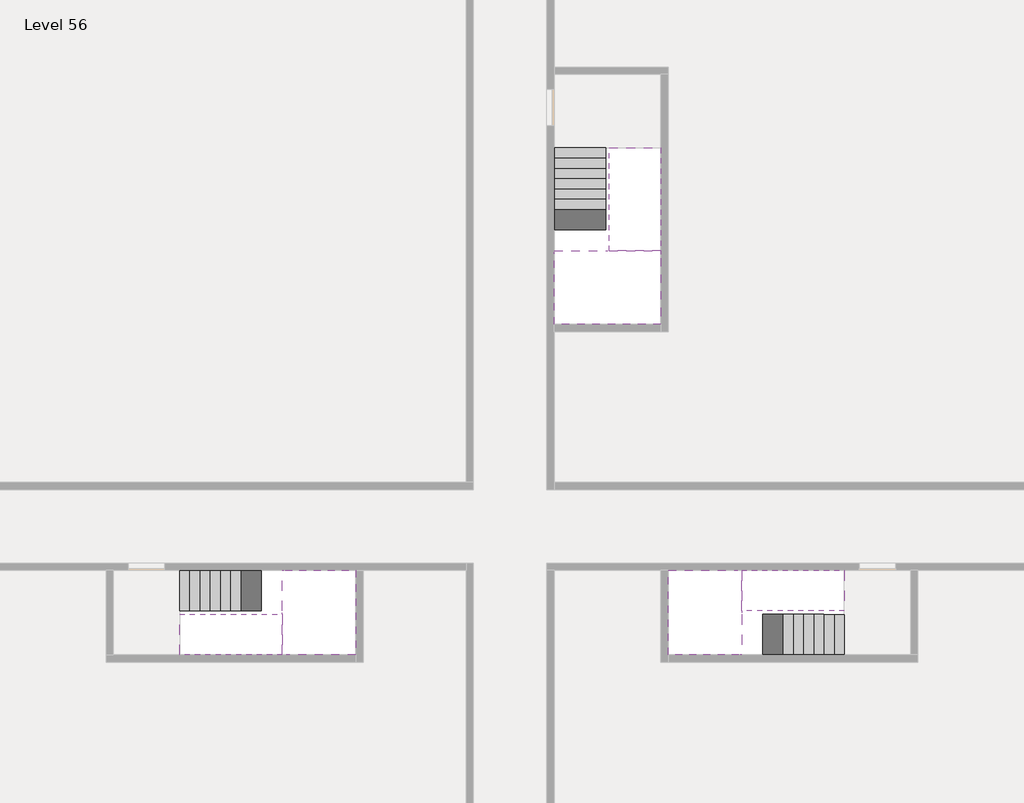
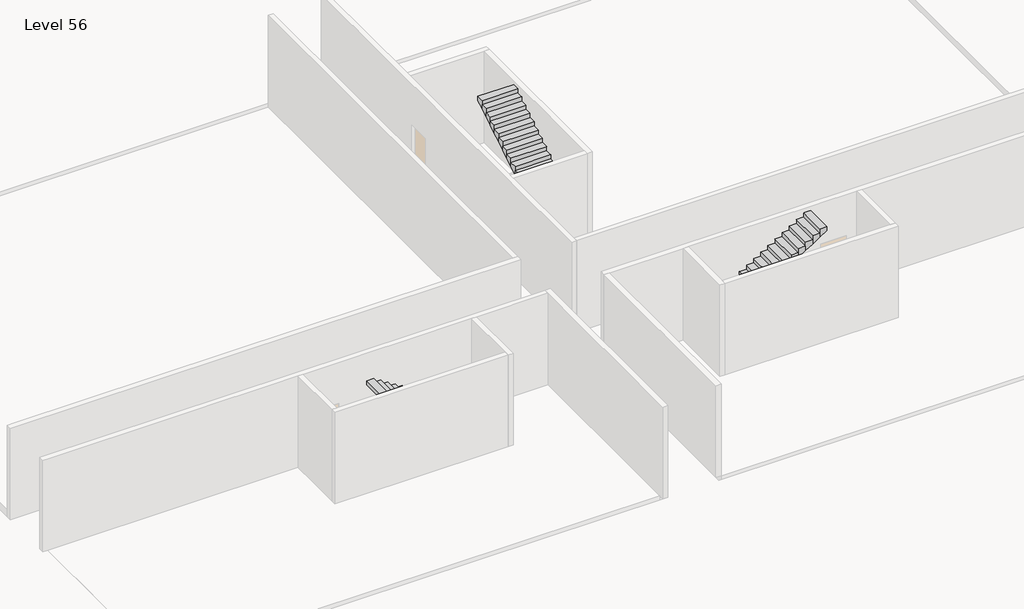
# One storey, part 2 of 2: 6 stair flights, 3 slabs.
"""IFC4 building model written with IfcOpenShell, lengths in millimetres."""

from ifc_helpers import new_model, si_unit, origin, place, context, project, spatial, faceted_brep, element, save

model = new_model("IFC4")

# Units and contexts
model_context = context("Model", 3, world=origin())
ifc_project = project(units=[si_unit("LENGTHUNIT", "METRE", prefix="MILLI")], contexts=[model_context])

# Site, building, storey
site = spatial("IfcSite", under=ifc_project)
building = spatial("IfcBuilding", under=site)
storey = spatial("IfcBuildingStorey", under=building, Name="Level 56", Elevation=209000.0)

# Slabs
placement = place(None, origin())
element("IfcSlab", 1, at=placement, inside=storey, context=model_context, shape_type="Brep", body=[
    faceted_brep([(26790.1058784, -34218.09644, 210900.0), (25390.1058784, -34218.09644, 210900.0), (25390.1058784, -34297.4828763, 210900.0), (25390.1058784, -36218.09644, 210900.0), (28290.1058784, -36218.09644, 210900.0), (28290.1058784, -34418.7100038, 210900.0), (28290.1058784, -34218.09644, 210900.0), (26890.1058784, -34218.09644, 210900.0), (26790.1058784, -34218.09644, 210600.0), (26790.1058784, -34218.09644, 210551.0278478), (25390.1058784, -34218.09644, 210551.0278478), (25390.1058784, -34218.09644, 210727.2727273), (25390.1058784, -34297.4828763, 210600.0), (25390.1058784, -36218.09644, 210600.0), (28290.1058784, -36218.09644, 210600.0), (28290.1058784, -34418.7100038, 210600.0), (28290.1058784, -34218.09644, 210723.7551205), (26890.1058784, -34218.09644, 210723.7551205), (26890.1058784, -34218.09644, 210600.0), (26890.1058784, -34418.7100038, 210600.0), (26790.1058784, -34297.4828763, 210600.0)], [[[0, 1, 2, 3, 4, 5, 6, 7]], [[1, 0, 8, 9, 10, 11]], [[1, 11, 10, 12, 13, 3, 2]], [[4, 3, 13, 14]], [[4, 14, 15, 16, 6, 5]], [[7, 6, 16, 17]], [[0, 7, 17, 18, 8]], [[18, 19, 15, 14, 13, 12, 20, 8]], [[19, 18, 17]], [[20, 12, 10, 9]], [[8, 20, 9]], [[15, 19, 17, 16]]]),
])
element("IfcSlab", 2, at=placement, inside=storey, context=model_context, shape_type="Brep", body=[
    faceted_brep([(30490.1058784, -45218.09644, 210900.0), (30490.1058784, -44118.09644, 210900.0), (30490.1058784, -44018.09644, 210900.0), (30490.1058784, -42918.09644, 210900.0), (30289.4923146, -42918.09644, 210900.0), (28490.1058784, -42918.09644, 210900.0), (28490.1058784, -45218.09644, 210900.0), (30410.7194421, -45218.09644, 210900.0), (30490.1058784, -45218.09644, 210727.2727273), (30490.1058784, -45218.09644, 210551.0278478), (30490.1058784, -44118.09644, 210551.0278478), (30490.1058784, -44118.09644, 210600.0), (30490.1058784, -44018.09644, 210600.0), (30490.1058784, -44018.09644, 210723.7551205), (30490.1058784, -42918.09644, 210723.7551205), (30289.4923146, -42918.09644, 210600.0), (28490.1058784, -42918.09644, 210600.0), (28490.1058784, -45218.09644, 210600.0), (30410.7194421, -45218.09644, 210600.0), (30289.4923146, -44018.09644, 210600.0), (30410.7194421, -44118.09644, 210600.0)], [[[0, 1, 2, 3, 4, 5, 6, 7]], [[1, 0, 8, 9, 10, 11]], [[2, 1, 11, 12, 13]], [[3, 2, 13, 14]], [[3, 14, 15, 16, 5, 4]], [[6, 5, 16, 17]], [[9, 8, 0, 7, 6, 17, 18]], [[19, 12, 11, 20, 18, 17, 16, 15]], [[12, 19, 13]], [[18, 20, 10, 9]], [[20, 11, 10]], [[19, 15, 14, 13]]]),
])
element("IfcSlab", 3, at=placement, inside=storey, context=model_context, shape_type="Brep", body=[
    faceted_brep([(17990.1058784, -42918.09644, 210900.0), (17990.1058784, -44018.09644, 210900.0), (17990.1058784, -44118.09644, 210900.0), (17990.1058784, -45218.09644, 210900.0), (18190.7194421, -45218.09644, 210900.0), (19990.1058784, -45218.09644, 210900.0), (19990.1058784, -42918.09644, 210900.0), (18069.4923146, -42918.09644, 210900.0), (17990.1058784, -42918.09644, 210727.2727273), (17990.1058784, -42918.09644, 210551.0278478), (17990.1058784, -44018.09644, 210551.0278478), (17990.1058784, -44018.09644, 210600.0), (17990.1058784, -44118.09644, 210600.0), (17990.1058784, -44118.09644, 210723.7551205), (17990.1058784, -45218.09644, 210723.7551205), (18190.7194421, -45218.09644, 210600.0), (19990.1058784, -45218.09644, 210600.0), (19990.1058784, -42918.09644, 210600.0), (18069.4923146, -42918.09644, 210600.0), (18190.7194421, -44118.09644, 210600.0), (18069.4923146, -44018.09644, 210600.0)], [[[0, 1, 2, 3, 4, 5, 6, 7]], [[1, 0, 8, 9, 10, 11]], [[2, 1, 11, 12, 13]], [[3, 2, 13, 14]], [[3, 14, 15, 16, 5, 4]], [[6, 5, 16, 17]], [[9, 8, 0, 7, 6, 17, 18]], [[19, 12, 11, 20, 18, 17, 16, 15]], [[12, 19, 13]], [[18, 20, 10, 9]], [[20, 11, 10]], [[19, 15, 14, 13]]]),
])

# Stair flights
element("IfcStairFlight", 4, at=placement, inside=storey, context=model_context, shape_type="Brep", body=[
    faceted_brep([(26790.1058784, -31698.09644, 209172.7272727), (26790.1058784, -31418.09644, 209172.7272727), (25390.1058784, -31418.09644, 209172.7272727), (25390.1058784, -31698.09644, 209172.7272727), (26790.1058784, -31698.09644, 209000.0), (26790.1058784, -31418.09644, 209000.0), (25390.1058784, -31418.09644, 209000.0), (25390.1058784, -31698.09644, 209000.0), (26790.1058784, -31978.09644, 209345.4545455), (26790.1058784, -31698.09644, 209345.4545455), (25390.1058784, -31698.09644, 209345.4545455), (25390.1058784, -31978.09644, 209345.4545455), (26790.1058784, -31978.09644, 209169.209666), (26790.1058784, -31703.7986657, 209000.0), (25390.1058784, -31703.7986657, 209000.0), (25390.1058784, -31978.09644, 209169.209666), (26790.1058784, -32258.09644, 209518.1818182), (26790.1058784, -31978.09644, 209518.1818182), (25390.1058784, -31978.09644, 209518.1818182), (25390.1058784, -32258.09644, 209518.1818182), (26790.1058784, -32258.09644, 209341.9369387), (25390.1058784, -32258.09644, 209341.9369387), (26790.1058784, -32538.09644, 209690.9090909), (26790.1058784, -32258.09644, 209690.9090909), (25390.1058784, -32258.09644, 209690.9090909), (25390.1058784, -32538.09644, 209690.9090909), (26790.1058784, -32538.09644, 209514.6642114), (25390.1058784, -32538.09644, 209514.6642114), (26790.1058784, -32818.09644, 209863.6363636), (26790.1058784, -32538.09644, 209863.6363636), (25390.1058784, -32538.09644, 209863.6363636), (25390.1058784, -32818.09644, 209863.6363636), (26790.1058784, -32818.09644, 209687.3914841), (25390.1058784, -32818.09644, 209687.3914841), (26790.1058784, -33098.09644, 210036.3636364), (26790.1058784, -32818.09644, 210036.3636364), (25390.1058784, -32818.09644, 210036.3636364), (25390.1058784, -33098.09644, 210036.3636364), (26790.1058784, -33098.09644, 209860.1187569), (25390.1058784, -33098.09644, 209860.1187569), (26790.1058784, -33378.09644, 210209.0909091), (26790.1058784, -33098.09644, 210209.0909091), (25390.1058784, -33098.09644, 210209.0909091), (25390.1058784, -33378.09644, 210209.0909091), (26790.1058784, -33378.09644, 210032.8460296), (25390.1058784, -33378.09644, 210032.8460296), (26790.1058784, -33658.09644, 210381.8181818), (26790.1058784, -33378.09644, 210381.8181818), (25390.1058784, -33378.09644, 210381.8181818), (25390.1058784, -33658.09644, 210381.8181818), (26790.1058784, -33658.09644, 210205.5733023), (25390.1058784, -33658.09644, 210205.5733023), (26790.1058784, -33938.09644, 210554.5454545), (26790.1058784, -33658.09644, 210554.5454545), (25390.1058784, -33658.09644, 210554.5454545), (25390.1058784, -33938.09644, 210554.5454545), (26790.1058784, -33938.09644, 210378.3005751), (25390.1058784, -33938.09644, 210378.3005751), (26790.1058784, -34218.09644, 210727.2727273), (26790.1058784, -33938.09644, 210727.2727273), (25390.1058784, -33938.09644, 210727.2727273), (25390.1058784, -34218.09644, 210727.2727273), (26790.1058784, -34218.09644, 210600.0), (26790.1058784, -34218.09644, 210551.0278478), (25390.1058784, -34218.09644, 210551.0278478)], [[[0, 1, 2, 3]], [[1, 0, 4, 5]], [[2, 1, 5, 6]], [[3, 2, 6, 7]], [[8, 9, 10, 11]], [[4, 0, 9, 8, 12, 13]], [[0, 3, 10, 9]], [[3, 7, 14, 15, 11, 10]], [[16, 17, 18, 19]], [[17, 16, 20, 12, 8]], [[8, 11, 18, 17]], [[19, 18, 11, 15, 21]], [[22, 23, 24, 25]], [[23, 22, 26, 20, 16]], [[16, 19, 24, 23]], [[25, 24, 19, 21, 27]], [[28, 29, 30, 31]], [[29, 28, 32, 26, 22]], [[22, 25, 30, 29]], [[31, 30, 25, 27, 33]], [[34, 35, 36, 37]], [[35, 34, 38, 32, 28]], [[28, 31, 36, 35]], [[37, 36, 31, 33, 39]], [[40, 41, 42, 43]], [[41, 40, 44, 38, 34]], [[34, 37, 42, 41]], [[43, 42, 37, 39, 45]], [[46, 47, 48, 49]], [[47, 46, 50, 44, 40]], [[40, 43, 48, 47]], [[49, 48, 43, 45, 51]], [[52, 53, 54, 55]], [[53, 52, 56, 50, 46]], [[46, 49, 54, 53]], [[55, 54, 49, 51, 57]], [[58, 59, 60, 61]], [[59, 58, 62, 63, 56, 52]], [[52, 55, 60, 59]], [[61, 60, 55, 57, 64]], [[58, 61, 64, 63, 62]], [[5, 4, 13, 14, 7, 6]], [[14, 13, 12, 20, 26, 32, 38, 44, 50, 56, 63, 64, 57, 51, 45, 39, 33, 27, 21, 15]]]),
])
element("IfcStairFlight", 5, at=placement, inside=storey, context=model_context, shape_type="Brep", body=[
    faceted_brep([(26890.1058784, -33938.09644, 211072.7272727), (26890.1058784, -34218.09644, 211072.7272727), (28290.1058784, -34218.09644, 211072.7272727), (28290.1058784, -33938.09644, 211072.7272727), (26890.1058784, -33938.09644, 210896.4823932), (26890.1058784, -34218.09644, 210723.7551205), (28290.1058784, -34218.09644, 210723.7551205), (28290.1058784, -34218.09644, 210900.0), (28290.1058784, -33938.09644, 210896.4823932), (26890.1058784, -33658.09644, 211245.4545455), (26890.1058784, -33938.09644, 211245.4545455), (28290.1058784, -33938.09644, 211245.4545455), (28290.1058784, -33658.09644, 211245.4545455), (26890.1058784, -33658.09644, 211069.209666), (28290.1058784, -33658.09644, 211069.209666), (26890.1058784, -33378.09644, 211418.1818182), (26890.1058784, -33658.09644, 211418.1818182), (28290.1058784, -33658.09644, 211418.1818182), (28290.1058784, -33378.09644, 211418.1818182), (26890.1058784, -33378.09644, 211241.9369387), (28290.1058784, -33378.09644, 211241.9369387), (26890.1058784, -33098.09644, 211590.9090909), (26890.1058784, -33378.09644, 211590.9090909), (28290.1058784, -33378.09644, 211590.9090909), (28290.1058784, -33098.09644, 211590.9090909), (26890.1058784, -33098.09644, 211414.6642114), (28290.1058784, -33098.09644, 211414.6642114), (26890.1058784, -32818.09644, 211763.6363636), (26890.1058784, -33098.09644, 211763.6363636), (28290.1058784, -33098.09644, 211763.6363636), (28290.1058784, -32818.09644, 211763.6363636), (26890.1058784, -32818.09644, 211587.3914841), (28290.1058784, -32818.09644, 211587.3914841), (26890.1058784, -32538.09644, 211936.3636364), (26890.1058784, -32818.09644, 211936.3636364), (28290.1058784, -32818.09644, 211936.3636364), (28290.1058784, -32538.09644, 211936.3636364), (26890.1058784, -32538.09644, 211760.1187569), (28290.1058784, -32538.09644, 211760.1187569), (26890.1058784, -32258.09644, 212109.0909091), (26890.1058784, -32538.09644, 212109.0909091), (28290.1058784, -32538.09644, 212109.0909091), (28290.1058784, -32258.09644, 212109.0909091), (26890.1058784, -32258.09644, 211932.8460296), (28290.1058784, -32258.09644, 211932.8460296), (26890.1058784, -31978.09644, 212281.8181818), (26890.1058784, -32258.09644, 212281.8181818), (28290.1058784, -32258.09644, 212281.8181818), (28290.1058784, -31978.09644, 212281.8181818), (26890.1058784, -31978.09644, 212105.5733023), (28290.1058784, -31978.09644, 212105.5733023), (26890.1058784, -31698.09644, 212454.5454545), (26890.1058784, -31978.09644, 212454.5454545), (28290.1058784, -31978.09644, 212454.5454545), (28290.1058784, -31698.09644, 212454.5454545), (26890.1058784, -31698.09644, 212278.3005751), (28290.1058784, -31698.09644, 212278.3005751), (26890.1058784, -31418.09644, 212627.2727273), (26890.1058784, -31698.09644, 212627.2727273), (28290.1058784, -31698.09644, 212627.2727273), (28290.1058784, -31418.09644, 212627.2727273), (26890.1058784, -31418.09644, 212451.0278478), (28290.1058784, -31418.09644, 212451.0278478)], [[[0, 1, 2, 3]], [[1, 0, 4, 5]], [[2, 1, 5, 6, 7]], [[3, 2, 7, 6, 8]], [[9, 10, 11, 12]], [[10, 9, 13, 4, 0]], [[11, 10, 0, 3]], [[12, 11, 3, 8, 14]], [[15, 16, 17, 18]], [[16, 15, 19, 13, 9]], [[17, 16, 9, 12]], [[18, 17, 12, 14, 20]], [[21, 22, 23, 24]], [[22, 21, 25, 19, 15]], [[23, 22, 15, 18]], [[24, 23, 18, 20, 26]], [[27, 28, 29, 30]], [[28, 27, 31, 25, 21]], [[29, 28, 21, 24]], [[30, 29, 24, 26, 32]], [[33, 34, 35, 36]], [[34, 33, 37, 31, 27]], [[35, 34, 27, 30]], [[36, 35, 30, 32, 38]], [[39, 40, 41, 42]], [[40, 39, 43, 37, 33]], [[41, 40, 33, 36]], [[42, 41, 36, 38, 44]], [[45, 46, 47, 48]], [[46, 45, 49, 43, 39]], [[47, 46, 39, 42]], [[48, 47, 42, 44, 50]], [[51, 52, 53, 54]], [[52, 51, 55, 49, 45]], [[53, 52, 45, 48]], [[54, 53, 48, 50, 56]], [[57, 58, 59, 60]], [[58, 57, 61, 55, 51]], [[59, 58, 51, 54]], [[60, 59, 54, 56, 62]], [[57, 60, 62, 61]], [[5, 4, 13, 19, 25, 31, 37, 43, 49, 55, 61, 62, 56, 50, 44, 38, 32, 26, 20, 14, 8, 6]]]),
])
element("IfcStairFlight", 6, at=placement, inside=storey, context=model_context, shape_type="Brep", body=[
    faceted_brep([(33010.1058784, -45218.09644, 209172.7272727), (33290.1058784, -45218.09644, 209172.7272727), (33290.1058784, -44118.09644, 209172.7272727), (33010.1058784, -44118.09644, 209172.7272727), (33010.1058784, -45218.09644, 209000.0), (33290.1058784, -45218.09644, 209000.0), (33290.1058784, -44118.09644, 209000.0), (33010.1058784, -44118.09644, 209000.0), (32730.1058784, -45218.09644, 209345.4545455), (33010.1058784, -45218.09644, 209345.4545455), (33010.1058784, -44118.09644, 209345.4545455), (32730.1058784, -44118.09644, 209345.4545455), (32730.1058784, -45218.09644, 209169.209666), (33004.4036527, -45218.09644, 209000.0), (33004.4036527, -44118.09644, 209000.0), (32730.1058784, -44118.09644, 209169.209666), (32450.1058784, -45218.09644, 209518.1818182), (32730.1058784, -45218.09644, 209518.1818182), (32730.1058784, -44118.09644, 209518.1818182), (32450.1058784, -44118.09644, 209518.1818182), (32450.1058784, -45218.09644, 209341.9369387), (32450.1058784, -44118.09644, 209341.9369387), (32170.1058784, -45218.09644, 209690.9090909), (32450.1058784, -45218.09644, 209690.9090909), (32450.1058784, -44118.09644, 209690.9090909), (32170.1058784, -44118.09644, 209690.9090909), (32170.1058784, -45218.09644, 209514.6642114), (32170.1058784, -44118.09644, 209514.6642114), (31890.1058784, -45218.09644, 209863.6363636), (32170.1058784, -45218.09644, 209863.6363636), (32170.1058784, -44118.09644, 209863.6363636), (31890.1058784, -44118.09644, 209863.6363636), (31890.1058784, -45218.09644, 209687.3914841), (31890.1058784, -44118.09644, 209687.3914841), (31610.1058784, -45218.09644, 210036.3636364), (31890.1058784, -45218.09644, 210036.3636364), (31890.1058784, -44118.09644, 210036.3636364), (31610.1058784, -44118.09644, 210036.3636364), (31610.1058784, -45218.09644, 209860.1187569), (31610.1058784, -44118.09644, 209860.1187569), (31330.1058784, -45218.09644, 210209.0909091), (31610.1058784, -45218.09644, 210209.0909091), (31610.1058784, -44118.09644, 210209.0909091), (31330.1058784, -44118.09644, 210209.0909091), (31330.1058784, -45218.09644, 210032.8460296), (31330.1058784, -44118.09644, 210032.8460296), (31050.1058784, -45218.09644, 210381.8181818), (31330.1058784, -45218.09644, 210381.8181818), (31330.1058784, -44118.09644, 210381.8181818), (31050.1058784, -44118.09644, 210381.8181818), (31050.1058784, -45218.09644, 210205.5733023), (31050.1058784, -44118.09644, 210205.5733023), (30770.1058784, -45218.09644, 210554.5454545), (31050.1058784, -45218.09644, 210554.5454545), (31050.1058784, -44118.09644, 210554.5454545), (30770.1058784, -44118.09644, 210554.5454545), (30770.1058784, -45218.09644, 210378.3005751), (30770.1058784, -44118.09644, 210378.3005751), (30490.1058784, -45218.09644, 210727.2727273), (30770.1058784, -45218.09644, 210727.2727273), (30770.1058784, -44118.09644, 210727.2727273), (30490.1058784, -44118.09644, 210727.2727273), (30490.1058784, -45218.09644, 210551.0278478), (30490.1058784, -44118.09644, 210551.0278478), (30490.1058784, -44118.09644, 210600.0)], [[[0, 1, 2, 3]], [[1, 0, 4, 5]], [[2, 1, 5, 6]], [[3, 2, 6, 7]], [[8, 9, 10, 11]], [[4, 0, 9, 8, 12, 13]], [[0, 3, 10, 9]], [[3, 7, 14, 15, 11, 10]], [[16, 17, 18, 19]], [[17, 16, 20, 12, 8]], [[8, 11, 18, 17]], [[19, 18, 11, 15, 21]], [[22, 23, 24, 25]], [[23, 22, 26, 20, 16]], [[16, 19, 24, 23]], [[25, 24, 19, 21, 27]], [[28, 29, 30, 31]], [[29, 28, 32, 26, 22]], [[22, 25, 30, 29]], [[31, 30, 25, 27, 33]], [[34, 35, 36, 37]], [[35, 34, 38, 32, 28]], [[28, 31, 36, 35]], [[37, 36, 31, 33, 39]], [[40, 41, 42, 43]], [[41, 40, 44, 38, 34]], [[34, 37, 42, 41]], [[43, 42, 37, 39, 45]], [[46, 47, 48, 49]], [[47, 46, 50, 44, 40]], [[40, 43, 48, 47]], [[49, 48, 43, 45, 51]], [[52, 53, 54, 55]], [[53, 52, 56, 50, 46]], [[46, 49, 54, 53]], [[55, 54, 49, 51, 57]], [[58, 59, 60, 61]], [[59, 58, 62, 56, 52]], [[52, 55, 60, 59]], [[61, 60, 55, 57, 63, 64]], [[58, 61, 64, 63, 62]], [[5, 4, 13, 14, 7, 6]], [[14, 13, 12, 20, 26, 32, 38, 44, 50, 56, 62, 63, 57, 51, 45, 39, 33, 27, 21, 15]]]),
])
element("IfcStairFlight", 7, at=placement, inside=storey, context=model_context, shape_type="Brep", body=[
    faceted_brep([(30770.1058784, -42918.09644, 211072.7272727), (30490.1058784, -42918.09644, 211072.7272727), (30490.1058784, -44018.09644, 211072.7272727), (30770.1058784, -44018.09644, 211072.7272727), (30770.1058784, -42918.09644, 210896.4823932), (30490.1058784, -42918.09644, 210723.7551205), (30490.1058784, -42918.09644, 210900.0), (30490.1058784, -44018.09644, 210723.7551205), (30770.1058784, -44018.09644, 210896.4823932), (31050.1058784, -42918.09644, 211245.4545455), (30770.1058784, -42918.09644, 211245.4545455), (30770.1058784, -44018.09644, 211245.4545455), (31050.1058784, -44018.09644, 211245.4545455), (31050.1058784, -42918.09644, 211069.209666), (31050.1058784, -44018.09644, 211069.209666), (31330.1058784, -42918.09644, 211418.1818182), (31050.1058784, -42918.09644, 211418.1818182), (31050.1058784, -44018.09644, 211418.1818182), (31330.1058784, -44018.09644, 211418.1818182), (31330.1058784, -42918.09644, 211241.9369387), (31330.1058784, -44018.09644, 211241.9369387), (31610.1058784, -42918.09644, 211590.9090909), (31330.1058784, -42918.09644, 211590.9090909), (31330.1058784, -44018.09644, 211590.9090909), (31610.1058784, -44018.09644, 211590.9090909), (31610.1058784, -42918.09644, 211414.6642114), (31610.1058784, -44018.09644, 211414.6642114), (31890.1058784, -42918.09644, 211763.6363636), (31610.1058784, -42918.09644, 211763.6363636), (31610.1058784, -44018.09644, 211763.6363636), (31890.1058784, -44018.09644, 211763.6363636), (31890.1058784, -42918.09644, 211587.3914841), (31890.1058784, -44018.09644, 211587.3914841), (32170.1058784, -42918.09644, 211936.3636364), (31890.1058784, -42918.09644, 211936.3636364), (31890.1058784, -44018.09644, 211936.3636364), (32170.1058784, -44018.09644, 211936.3636364), (32170.1058784, -42918.09644, 211760.1187569), (32170.1058784, -44018.09644, 211760.1187569), (32450.1058784, -42918.09644, 212109.0909091), (32170.1058784, -42918.09644, 212109.0909091), (32170.1058784, -44018.09644, 212109.0909091), (32450.1058784, -44018.09644, 212109.0909091), (32450.1058784, -42918.09644, 211932.8460296), (32450.1058784, -44018.09644, 211932.8460296), (32730.1058784, -42918.09644, 212281.8181818), (32450.1058784, -42918.09644, 212281.8181818), (32450.1058784, -44018.09644, 212281.8181818), (32730.1058784, -44018.09644, 212281.8181818), (32730.1058784, -42918.09644, 212105.5733023), (32730.1058784, -44018.09644, 212105.5733023), (33010.1058784, -42918.09644, 212454.5454545), (32730.1058784, -42918.09644, 212454.5454545), (32730.1058784, -44018.09644, 212454.5454545), (33010.1058784, -44018.09644, 212454.5454545), (33010.1058784, -42918.09644, 212278.3005751), (33010.1058784, -44018.09644, 212278.3005751), (33290.1058784, -42918.09644, 212627.2727273), (33010.1058784, -42918.09644, 212627.2727273), (33010.1058784, -44018.09644, 212627.2727273), (33290.1058784, -44018.09644, 212627.2727273), (33290.1058784, -42918.09644, 212451.0278478), (33290.1058784, -44018.09644, 212451.0278478)], [[[0, 1, 2, 3]], [[1, 0, 4, 5, 6]], [[2, 1, 6, 5, 7]], [[3, 2, 7, 8]], [[9, 10, 11, 12]], [[10, 9, 13, 4, 0]], [[11, 10, 0, 3]], [[12, 11, 3, 8, 14]], [[15, 16, 17, 18]], [[16, 15, 19, 13, 9]], [[17, 16, 9, 12]], [[18, 17, 12, 14, 20]], [[21, 22, 23, 24]], [[22, 21, 25, 19, 15]], [[23, 22, 15, 18]], [[24, 23, 18, 20, 26]], [[27, 28, 29, 30]], [[28, 27, 31, 25, 21]], [[29, 28, 21, 24]], [[30, 29, 24, 26, 32]], [[33, 34, 35, 36]], [[34, 33, 37, 31, 27]], [[35, 34, 27, 30]], [[36, 35, 30, 32, 38]], [[39, 40, 41, 42]], [[40, 39, 43, 37, 33]], [[41, 40, 33, 36]], [[42, 41, 36, 38, 44]], [[45, 46, 47, 48]], [[46, 45, 49, 43, 39]], [[47, 46, 39, 42]], [[48, 47, 42, 44, 50]], [[51, 52, 53, 54]], [[52, 51, 55, 49, 45]], [[53, 52, 45, 48]], [[54, 53, 48, 50, 56]], [[57, 58, 59, 60]], [[58, 57, 61, 55, 51]], [[59, 58, 51, 54]], [[60, 59, 54, 56, 62]], [[57, 60, 62, 61]], [[5, 4, 13, 19, 25, 31, 37, 43, 49, 55, 61, 62, 56, 50, 44, 38, 32, 26, 20, 14, 8, 7]]]),
])
element("IfcStairFlight", 8, at=placement, inside=storey, context=model_context, shape_type="Brep", body=[
    faceted_brep([(15470.1058784, -42918.09644, 209172.7272727), (15190.1058784, -42918.09644, 209172.7272727), (15190.1058784, -44018.09644, 209172.7272727), (15470.1058784, -44018.09644, 209172.7272727), (15470.1058784, -42918.09644, 209000.0), (15190.1058784, -42918.09644, 209000.0), (15190.1058784, -44018.09644, 209000.0), (15470.1058784, -44018.09644, 209000.0), (15750.1058784, -42918.09644, 209345.4545455), (15470.1058784, -42918.09644, 209345.4545455), (15470.1058784, -44018.09644, 209345.4545455), (15750.1058784, -44018.09644, 209345.4545455), (15750.1058784, -42918.09644, 209169.209666), (15475.8081041, -42918.09644, 209000.0), (15475.8081041, -44018.09644, 209000.0), (15750.1058784, -44018.09644, 209169.209666), (16030.1058784, -42918.09644, 209518.1818182), (15750.1058784, -42918.09644, 209518.1818182), (15750.1058784, -44018.09644, 209518.1818182), (16030.1058784, -44018.09644, 209518.1818182), (16030.1058784, -42918.09644, 209341.9369387), (16030.1058784, -44018.09644, 209341.9369387), (16310.1058784, -42918.09644, 209690.9090909), (16030.1058784, -42918.09644, 209690.9090909), (16030.1058784, -44018.09644, 209690.9090909), (16310.1058784, -44018.09644, 209690.9090909), (16310.1058784, -42918.09644, 209514.6642114), (16310.1058784, -44018.09644, 209514.6642114), (16590.1058784, -42918.09644, 209863.6363636), (16310.1058784, -42918.09644, 209863.6363636), (16310.1058784, -44018.09644, 209863.6363636), (16590.1058784, -44018.09644, 209863.6363636), (16590.1058784, -42918.09644, 209687.3914841), (16590.1058784, -44018.09644, 209687.3914841), (16870.1058784, -42918.09644, 210036.3636364), (16590.1058784, -42918.09644, 210036.3636364), (16590.1058784, -44018.09644, 210036.3636364), (16870.1058784, -44018.09644, 210036.3636364), (16870.1058784, -42918.09644, 209860.1187569), (16870.1058784, -44018.09644, 209860.1187569), (17150.1058784, -42918.09644, 210209.0909091), (16870.1058784, -42918.09644, 210209.0909091), (16870.1058784, -44018.09644, 210209.0909091), (17150.1058784, -44018.09644, 210209.0909091), (17150.1058784, -42918.09644, 210032.8460296), (17150.1058784, -44018.09644, 210032.8460296), (17430.1058784, -42918.09644, 210381.8181818), (17150.1058784, -42918.09644, 210381.8181818), (17150.1058784, -44018.09644, 210381.8181818), (17430.1058784, -44018.09644, 210381.8181818), (17430.1058784, -42918.09644, 210205.5733023), (17430.1058784, -44018.09644, 210205.5733023), (17710.1058784, -42918.09644, 210554.5454545), (17430.1058784, -42918.09644, 210554.5454545), (17430.1058784, -44018.09644, 210554.5454545), (17710.1058784, -44018.09644, 210554.5454545), (17710.1058784, -42918.09644, 210378.3005751), (17710.1058784, -44018.09644, 210378.3005751), (17990.1058784, -42918.09644, 210727.2727273), (17710.1058784, -42918.09644, 210727.2727273), (17710.1058784, -44018.09644, 210727.2727273), (17990.1058784, -44018.09644, 210727.2727273), (17990.1058784, -42918.09644, 210551.0278478), (17990.1058784, -44018.09644, 210551.0278478), (17990.1058784, -44018.09644, 210600.0)], [[[0, 1, 2, 3]], [[1, 0, 4, 5]], [[2, 1, 5, 6]], [[3, 2, 6, 7]], [[8, 9, 10, 11]], [[4, 0, 9, 8, 12, 13]], [[0, 3, 10, 9]], [[3, 7, 14, 15, 11, 10]], [[16, 17, 18, 19]], [[17, 16, 20, 12, 8]], [[8, 11, 18, 17]], [[19, 18, 11, 15, 21]], [[22, 23, 24, 25]], [[23, 22, 26, 20, 16]], [[16, 19, 24, 23]], [[25, 24, 19, 21, 27]], [[28, 29, 30, 31]], [[29, 28, 32, 26, 22]], [[22, 25, 30, 29]], [[31, 30, 25, 27, 33]], [[34, 35, 36, 37]], [[35, 34, 38, 32, 28]], [[28, 31, 36, 35]], [[37, 36, 31, 33, 39]], [[40, 41, 42, 43]], [[41, 40, 44, 38, 34]], [[34, 37, 42, 41]], [[43, 42, 37, 39, 45]], [[46, 47, 48, 49]], [[47, 46, 50, 44, 40]], [[40, 43, 48, 47]], [[49, 48, 43, 45, 51]], [[52, 53, 54, 55]], [[53, 52, 56, 50, 46]], [[46, 49, 54, 53]], [[55, 54, 49, 51, 57]], [[58, 59, 60, 61]], [[59, 58, 62, 56, 52]], [[52, 55, 60, 59]], [[61, 60, 55, 57, 63, 64]], [[58, 61, 64, 63, 62]], [[5, 4, 13, 14, 7, 6]], [[14, 13, 12, 20, 26, 32, 38, 44, 50, 56, 62, 63, 57, 51, 45, 39, 33, 27, 21, 15]]]),
])
element("IfcStairFlight", 9, at=placement, inside=storey, context=model_context, shape_type="Brep", body=[
    faceted_brep([(17710.1058784, -45218.09644, 211072.7272727), (17990.1058784, -45218.09644, 211072.7272727), (17990.1058784, -44118.09644, 211072.7272727), (17710.1058784, -44118.09644, 211072.7272727), (17710.1058784, -45218.09644, 210896.4823932), (17990.1058784, -45218.09644, 210723.7551205), (17990.1058784, -45218.09644, 210900.0), (17990.1058784, -44118.09644, 210723.7551205), (17710.1058784, -44118.09644, 210896.4823932), (17430.1058784, -45218.09644, 211245.4545455), (17710.1058784, -45218.09644, 211245.4545455), (17710.1058784, -44118.09644, 211245.4545455), (17430.1058784, -44118.09644, 211245.4545455), (17430.1058784, -45218.09644, 211069.209666), (17430.1058784, -44118.09644, 211069.209666), (17150.1058784, -45218.09644, 211418.1818182), (17430.1058784, -45218.09644, 211418.1818182), (17430.1058784, -44118.09644, 211418.1818182), (17150.1058784, -44118.09644, 211418.1818182), (17150.1058784, -45218.09644, 211241.9369387), (17150.1058784, -44118.09644, 211241.9369387), (16870.1058784, -45218.09644, 211590.9090909), (17150.1058784, -45218.09644, 211590.9090909), (17150.1058784, -44118.09644, 211590.9090909), (16870.1058784, -44118.09644, 211590.9090909), (16870.1058784, -45218.09644, 211414.6642114), (16870.1058784, -44118.09644, 211414.6642114), (16590.1058784, -45218.09644, 211763.6363636), (16870.1058784, -45218.09644, 211763.6363636), (16870.1058784, -44118.09644, 211763.6363636), (16590.1058784, -44118.09644, 211763.6363636), (16590.1058784, -45218.09644, 211587.3914841), (16590.1058784, -44118.09644, 211587.3914841), (16310.1058784, -45218.09644, 211936.3636364), (16590.1058784, -45218.09644, 211936.3636364), (16590.1058784, -44118.09644, 211936.3636364), (16310.1058784, -44118.09644, 211936.3636364), (16310.1058784, -45218.09644, 211760.1187569), (16310.1058784, -44118.09644, 211760.1187569), (16030.1058784, -45218.09644, 212109.0909091), (16310.1058784, -45218.09644, 212109.0909091), (16310.1058784, -44118.09644, 212109.0909091), (16030.1058784, -44118.09644, 212109.0909091), (16030.1058784, -45218.09644, 211932.8460296), (16030.1058784, -44118.09644, 211932.8460296), (15750.1058784, -45218.09644, 212281.8181818), (16030.1058784, -45218.09644, 212281.8181818), (16030.1058784, -44118.09644, 212281.8181818), (15750.1058784, -44118.09644, 212281.8181818), (15750.1058784, -45218.09644, 212105.5733023), (15750.1058784, -44118.09644, 212105.5733023), (15470.1058784, -45218.09644, 212454.5454545), (15750.1058784, -45218.09644, 212454.5454545), (15750.1058784, -44118.09644, 212454.5454545), (15470.1058784, -44118.09644, 212454.5454545), (15470.1058784, -45218.09644, 212278.3005751), (15470.1058784, -44118.09644, 212278.3005751), (15190.1058784, -45218.09644, 212627.2727273), (15470.1058784, -45218.09644, 212627.2727273), (15470.1058784, -44118.09644, 212627.2727273), (15190.1058784, -44118.09644, 212627.2727273), (15190.1058784, -45218.09644, 212451.0278478), (15190.1058784, -44118.09644, 212451.0278478)], [[[0, 1, 2, 3]], [[1, 0, 4, 5, 6]], [[2, 1, 6, 5, 7]], [[3, 2, 7, 8]], [[9, 10, 11, 12]], [[10, 9, 13, 4, 0]], [[11, 10, 0, 3]], [[12, 11, 3, 8, 14]], [[15, 16, 17, 18]], [[16, 15, 19, 13, 9]], [[17, 16, 9, 12]], [[18, 17, 12, 14, 20]], [[21, 22, 23, 24]], [[22, 21, 25, 19, 15]], [[23, 22, 15, 18]], [[24, 23, 18, 20, 26]], [[27, 28, 29, 30]], [[28, 27, 31, 25, 21]], [[29, 28, 21, 24]], [[30, 29, 24, 26, 32]], [[33, 34, 35, 36]], [[34, 33, 37, 31, 27]], [[35, 34, 27, 30]], [[36, 35, 30, 32, 38]], [[39, 40, 41, 42]], [[40, 39, 43, 37, 33]], [[41, 40, 33, 36]], [[42, 41, 36, 38, 44]], [[45, 46, 47, 48]], [[46, 45, 49, 43, 39]], [[47, 46, 39, 42]], [[48, 47, 42, 44, 50]], [[51, 52, 53, 54]], [[52, 51, 55, 49, 45]], [[53, 52, 45, 48]], [[54, 53, 48, 50, 56]], [[57, 58, 59, 60]], [[58, 57, 61, 55, 51]], [[59, 58, 51, 54]], [[60, 59, 54, 56, 62]], [[57, 60, 62, 61]], [[5, 4, 13, 19, 25, 31, 37, 43, 49, 55, 61, 62, 56, 50, 44, 38, 32, 26, 20, 14, 8, 7]]]),
])

save(model, "model.ifc")
